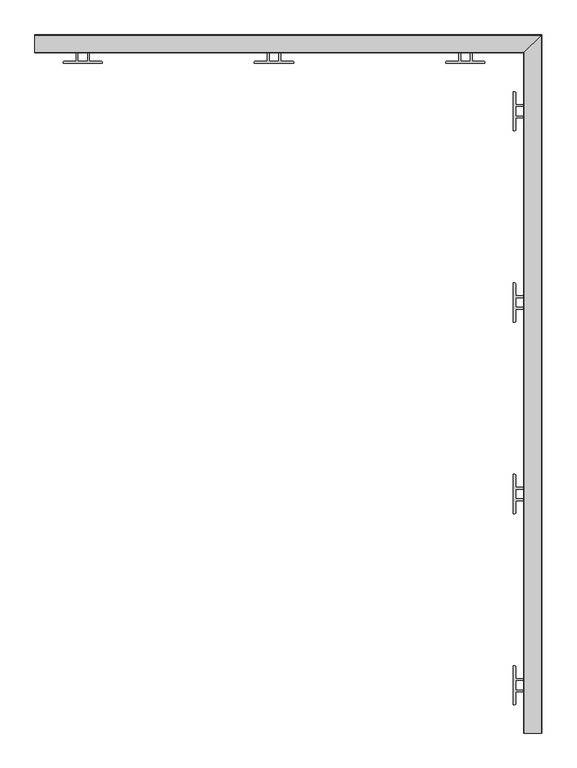
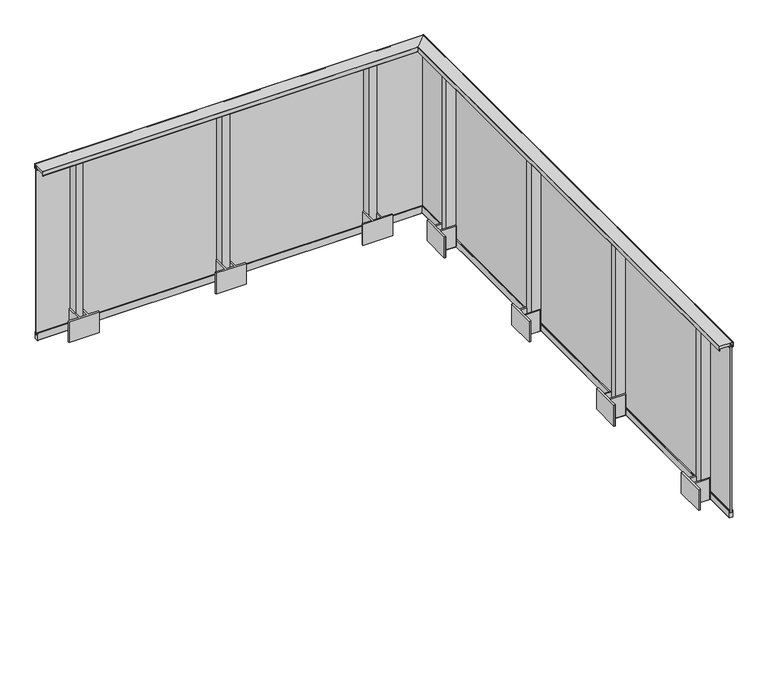
"""IFC4 building model written with IfcOpenShell, lengths in millimetres: railing geometry."""

from ifc_helpers import new_model, si_unit, frame, origin, place, context, project, spatial, polyline, circle_curve, ellipse_curve, outline, extrude, faceted_brep, source, transform, mapped, element, save
from ifc_brep_helpers import plane_surface, cylinder_surface, revolved_surface, advanced_brep


def railing_2dabb25d(model_context):
    return source(origin(), model_context, "Body", "SolidModel", [
        advanced_brep(
        [(19446.4819967, 370.4991817, 1100.0), (19445.9819967, 370.4991817, 1099.5), (19445.9819967, 370.4991817, 1068.5), (19446.4819967, 370.4991817, 1068.0), (19447.9819967, 370.4991817, 1068.0), (19447.9819967, 370.4991817, 1081.0), (19513.9819967, 370.4991817, 1081.0), (19513.9819967, 370.4991817, 1068.0), (19516.7819967, 370.4991817, 1068.0), (19516.7819967, 370.4991817, 1069.2), (19515.9819967, 370.4991817, 1069.2), (19515.9819967, 370.4991817, 1097.5), (19516.4819967, 370.4991817, 1098.0), (19535.4819967, 370.4991817, 1098.0), (19535.9819967, 370.4991817, 1097.5), (19535.9819967, 370.4991817, 1069.2), (19535.1819967, 370.4991817, 1069.2), (19535.1819967, 370.4991817, 1068.0), (19539.4819967, 370.4991817, 1068.0), (19539.9819967, 370.4991817, 1068.5), (19539.9819967, 370.4991817, 1099.5), (19539.4819967, 370.4991817, 1100.0), (19446.4819967, 3925.9991817, 1100.0), (19445.9819967, 3925.4991817, 1099.5), (19445.9819967, 3925.4991817, 1068.5), (19446.4819967, 3925.9991817, 1068.0), (19447.9819967, 3927.4991817, 1068.0), (19447.9819967, 3927.4991817, 1081.0), (19513.9819967, 3993.4991817, 1081.0), (19513.9819967, 3993.4991817, 1068.0), (19516.7819967, 3996.2991817, 1068.0), (19516.7819967, 3996.2991817, 1069.2), (19515.9819967, 3995.4991817, 1069.2), (19515.9819967, 3995.4991817, 1097.5), (19516.4819967, 3995.9991817, 1098.0), (19535.4819967, 4014.9991817, 1098.0), (19535.9819967, 4015.4991817, 1097.5), (19535.9819967, 4015.4991817, 1069.2), (19535.1819967, 4014.6991817, 1069.2), (19535.1819967, 4014.6991817, 1068.0), (19539.4819967, 4018.9991817, 1068.0), (19539.9819967, 4019.4991817, 1068.5), (19539.9819967, 4019.4991817, 1099.5), (19539.4819967, 4018.9991817, 1100.0), (16890.9819967, 3925.9991817, 1100.0), (16890.9819967, 4018.9991817, 1100.0), (16890.9819967, 4019.4991817, 1099.5), (16890.9819967, 4019.4991817, 1068.5), (16890.9819967, 4018.9991817, 1068.0), (16890.9819967, 4014.6991817, 1068.0), (16890.9819967, 4014.6991817, 1069.2), (16890.9819967, 4015.4991817, 1069.2), (16890.9819967, 4015.4991817, 1097.5), (16890.9819967, 4014.9991817, 1098.0), (16890.9819967, 3995.9991817, 1098.0), (16890.9819967, 3995.4991817, 1097.5), (16890.9819967, 3995.4991817, 1069.2), (16890.9819967, 3996.2991817, 1069.2), (16890.9819967, 3996.2991817, 1068.0), (16890.9819967, 3993.4991817, 1068.0), (16890.9819967, 3993.4991817, 1081.0), (16890.9819967, 3927.4991817, 1081.0), (16890.9819967, 3927.4991817, 1068.0), (16890.9819967, 3925.9991817, 1068.0), (16890.9819967, 3925.4991817, 1068.5), (16890.9819967, 3925.4991817, 1099.5)],
        [
            (0, 1, circle_curve(frame((19446.4819967, 370.4991817, 1099.5), z_axis=(0.0, -1.0, 0.0), x_axis=(1.0, 0.0, 0.0)), 0.5)),
            (1, 2),
            (2, 3, circle_curve(frame((19446.4819967, 370.4991817, 1068.5), z_axis=(0.0, -1.0, 0.0), x_axis=(1.0, 0.0, 0.0)), 0.5)),
            (3, 4),
            (4, 5),
            (5, 6),
            (6, 7),
            (7, 8),
            (8, 9),
            (9, 10),
            (10, 11),
            (11, 12, circle_curve(frame((19516.4819967, 370.4991817, 1097.5), z_axis=(0.0, 1.0, 0.0), x_axis=(1.0, 0.0, 0.0)), 0.5)),
            (12, 13),
            (13, 14, circle_curve(frame((19535.4819967, 370.4991817, 1097.5), z_axis=(0.0, 1.0, 0.0), x_axis=(1.0, 0.0, 0.0)), 0.5)),
            (14, 15),
            (15, 16),
            (16, 17),
            (17, 18),
            (18, 19, circle_curve(frame((19539.4819967, 370.4991817, 1068.5), z_axis=(0.0, -1.0, 0.0), x_axis=(1.0, 0.0, 0.0)), 0.5)),
            (19, 20),
            (20, 21, circle_curve(frame((19539.4819967, 370.4991817, 1099.5), z_axis=(0.0, -1.0, 0.0), x_axis=(1.0, 0.0, 0.0)), 0.5)),
            (21, 0),
            (0, 22),
            (22, 23, ellipse_curve(frame((19446.4819967, 3925.9991817, 1099.5), z_axis=(0.7071067811865467, -0.7071067811865482, 0.0), x_axis=(-0.7071067811865482, -0.7071067811865469, 0.0)), 0.7071068, 0.5)),
            (23, 1),
            (23, 24),
            (24, 2),
            (24, 25, ellipse_curve(frame((19446.4819967, 3925.9991817, 1068.5), z_axis=(0.7071067811865467, -0.7071067811865482, 0.0), x_axis=(-0.7071067811865482, -0.7071067811865469, 0.0)), 0.7071068, 0.5)),
            (25, 3),
            (25, 26),
            (26, 4),
            (26, 27),
            (27, 5),
            (27, 28),
            (28, 6),
            (28, 29),
            (29, 7),
            (29, 30),
            (30, 8),
            (30, 31),
            (31, 9),
            (31, 32),
            (32, 10),
            (32, 33),
            (33, 11),
            (33, 34, ellipse_curve(frame((19516.4819967, 3995.9991817, 1097.5), z_axis=(-0.7071067811865467, 0.7071067811865482, 0.0), x_axis=(0.7071067811865482, 0.7071067811865469, 0.0)), 0.7071068, 0.5)),
            (34, 12),
            (34, 35),
            (35, 13),
            (35, 36, ellipse_curve(frame((19535.4819967, 4014.9991817, 1097.5), z_axis=(-0.7071067811865467, 0.7071067811865482, 0.0), x_axis=(0.7071067811865482, 0.7071067811865469, 0.0)), 0.7071068, 0.5)),
            (36, 14),
            (36, 37),
            (37, 15),
            (37, 38),
            (38, 16),
            (38, 39),
            (39, 17),
            (39, 40),
            (40, 18),
            (40, 41, ellipse_curve(frame((19539.4819967, 4018.9991817, 1068.5), z_axis=(0.7071067811865467, -0.7071067811865482, 0.0), x_axis=(-0.7071067811865482, -0.7071067811865469, 0.0)), 0.7071068, 0.5)),
            (41, 19),
            (41, 42),
            (42, 20),
            (42, 43, ellipse_curve(frame((19539.4819967, 4018.9991817, 1099.5), z_axis=(0.7071067811865467, -0.7071067811865482, 0.0), x_axis=(-0.7071067811865482, -0.7071067811865469, 0.0)), 0.7071068, 0.5)),
            (43, 21),
            (43, 22),
            (44, 45),
            (45, 46, circle_curve(frame((16890.9819967, 4018.9991817, 1099.5), z_axis=(-1.0, 0.0, 0.0), x_axis=(0.0, 1.0, 0.0)), 0.5)),
            (46, 47),
            (47, 48, circle_curve(frame((16890.9819967, 4018.9991817, 1068.5), z_axis=(-1.0, 0.0, 0.0), x_axis=(0.0, 1.0, 0.0)), 0.5)),
            (48, 49),
            (49, 50),
            (50, 51),
            (51, 52),
            (52, 53, circle_curve(frame((16890.9819967, 4014.9991817, 1097.5), z_axis=(1.0, 0.0, 0.0), x_axis=(0.0, 1.0, 0.0)), 0.5)),
            (53, 54),
            (54, 55, circle_curve(frame((16890.9819967, 3995.9991817, 1097.5), z_axis=(1.0, 0.0, 0.0), x_axis=(0.0, 1.0, 0.0)), 0.5)),
            (55, 56),
            (56, 57),
            (57, 58),
            (58, 59),
            (59, 60),
            (60, 61),
            (61, 62),
            (62, 63),
            (63, 64, circle_curve(frame((16890.9819967, 3925.9991817, 1068.5), z_axis=(-1.0, 0.0, 0.0), x_axis=(0.0, 1.0, 0.0)), 0.5)),
            (64, 65),
            (65, 44, circle_curve(frame((16890.9819967, 3925.9991817, 1099.5), z_axis=(-1.0, 0.0, 0.0), x_axis=(0.0, 1.0, 0.0)), 0.5)),
            (22, 44),
            (65, 23),
            (64, 24),
            (63, 25),
            (62, 26),
            (61, 27),
            (60, 28),
            (59, 29),
            (58, 30),
            (57, 31),
            (56, 32),
            (55, 33),
            (54, 34),
            (53, 35),
            (52, 36),
            (51, 37),
            (50, 38),
            (49, 39),
            (48, 40),
            (47, 41),
            (46, 42),
            (45, 43),
        ],
        [
            plane_surface(frame((19480.9819967, 370.4991817, 1100.0), z_axis=(0.0, -1.0, 0.0), x_axis=(0.0, 0.0, 1.0))),
            cylinder_surface(frame((19446.4819967, 370.4991817, 1099.5), z_axis=(0.0, -1.0, 0.0), x_axis=(1.0, 0.0, 0.0)), 0.5),
            plane_surface(frame((19445.9819967, 370.4991817, 1099.5), z_axis=(-1.0, 0.0, 0.0), x_axis=(0.0, 1.0, 0.0))),
            cylinder_surface(frame((19446.4819967, 370.4991817, 1068.5), z_axis=(0.0, -1.0, 0.0), x_axis=(1.0, 0.0, 0.0)), 0.5),
            plane_surface(frame((19446.4819967, 370.4991817, 1068.0), z_axis=(0.0, 0.0, -1.0), x_axis=(0.0, 1.0, 0.0))),
            plane_surface(frame((19447.9819967, 370.4991817, 1068.0), z_axis=(1.0, 0.0, 0.0), x_axis=(0.0, 1.0, 0.0))),
            plane_surface(frame((19447.9819967, 370.4991817, 1081.0), z_axis=(0.0, 0.0, -1.0), x_axis=(0.0, 1.0, 0.0))),
            plane_surface(frame((19513.9819967, 370.4991817, 1081.0), z_axis=(-1.0, 0.0, 0.0), x_axis=(0.0, 1.0, 0.0))),
            plane_surface(frame((19513.9819967, 370.4991817, 1068.0), z_axis=(0.0, 0.0, -1.0), x_axis=(0.0, 1.0, 0.0))),
            plane_surface(frame((19516.7819967, 370.4991817, 1068.0), z_axis=(1.0, 0.0, 0.0), x_axis=(0.0, 1.0, 0.0))),
            plane_surface(frame((19516.7819967, 370.4991817, 1069.2), z_axis=(0.0, 0.0, 1.0), x_axis=(0.0, 1.0, 0.0))),
            plane_surface(frame((19515.9819967, 370.4991817, 1069.2), z_axis=(1.0, 0.0, 0.0), x_axis=(0.0, 1.0, 0.0))),
            revolved_surface(polyline([(19516.9819967, 3996.499181713303, 1097.5), (19516.9819967, 370.4991817, 1097.5)]), (19516.4819967, 370.4991817, 1097.5), (0.0, 1.0, 0.0)),
            plane_surface(frame((19516.4819967, 370.4991817, 1098.0), z_axis=(0.0, 0.0, -1.0), x_axis=(0.0, 1.0, 0.0))),
            revolved_surface(polyline([(19535.9819967, 4015.499181713303, 1097.5), (19535.9819967, 370.4991817, 1097.5)]), (19535.4819967, 370.4991817, 1097.5), (0.0, 1.0, 0.0)),
            plane_surface(frame((19535.9819967, 370.4991817, 1097.5), z_axis=(-1.0, 0.0, 0.0), x_axis=(0.0, 1.0, 0.0))),
            plane_surface(frame((19535.9819967, 370.4991817, 1069.2), z_axis=(0.0, 0.0, 1.0), x_axis=(0.0, 1.0, 0.0))),
            plane_surface(frame((19535.1819967, 370.4991817, 1069.2), z_axis=(-1.0, 0.0, 0.0), x_axis=(0.0, 1.0, 0.0))),
            plane_surface(frame((19535.1819967, 370.4991817, 1068.0), z_axis=(0.0, 0.0, -1.0), x_axis=(0.0, 1.0, 0.0))),
            cylinder_surface(frame((19539.4819967, 370.4991817, 1068.5), z_axis=(0.0, -1.0, 0.0), x_axis=(1.0, 0.0, 0.0)), 0.5),
            plane_surface(frame((19539.9819967, 370.4991817, 1068.5), z_axis=(1.0, 0.0, 0.0), x_axis=(0.0, 1.0, 0.0))),
            cylinder_surface(frame((19539.4819967, 370.4991817, 1099.5), z_axis=(0.0, -1.0, 0.0), x_axis=(1.0, 0.0, 0.0)), 0.5),
            plane_surface(frame((19539.4819967, 370.4991817, 1100.0), z_axis=(0.0, 0.0, 1.0), x_axis=(0.0, 1.0, 0.0))),
            plane_surface(frame((16890.9819967, 3960.4991817, 1100.0), z_axis=(-1.0, 0.0, 0.0), x_axis=(0.0, -1.0, 0.0))),
            cylinder_surface(frame((19480.9819967, 3925.9991817, 1099.5), z_axis=(1.0, 0.0, 0.0), x_axis=(0.0, 1.0, 0.0)), 0.5),
            plane_surface(frame((19445.9819967, 3925.4991817, 1099.5), z_axis=(0.0, -1.0, 0.0), x_axis=(-1.0, 0.0, 0.0))),
            cylinder_surface(frame((19480.9819967, 3925.9991817, 1068.5), z_axis=(1.0, 0.0, 0.0), x_axis=(0.0, 1.0, 0.0)), 0.5),
            plane_surface(frame((19446.4819967, 3925.9991817, 1068.0), z_axis=(0.0, 0.0, -1.0), x_axis=(-1.0, 0.0, 0.0))),
            plane_surface(frame((19447.9819967, 3927.4991817, 1068.0), z_axis=(0.0, 1.0, 0.0), x_axis=(-1.0, 0.0, 0.0))),
            plane_surface(frame((19447.9819967, 3927.4991817, 1081.0), z_axis=(0.0, 0.0, -1.0), x_axis=(-1.0, 0.0, 0.0))),
            plane_surface(frame((19513.9819967, 3993.4991817, 1081.0), z_axis=(0.0, -1.0, 0.0), x_axis=(-1.0, 0.0, 0.0))),
            plane_surface(frame((19513.9819967, 3993.4991817, 1068.0), z_axis=(0.0, 0.0, -1.0), x_axis=(-1.0, 0.0, 0.0))),
            plane_surface(frame((19516.7819967, 3996.2991817, 1068.0), z_axis=(0.0, 1.0, 0.0), x_axis=(-1.0, 0.0, 0.0))),
            plane_surface(frame((19516.7819967, 3996.2991817, 1069.2), z_axis=(0.0, 0.0, 1.0), x_axis=(-1.0, 0.0, 0.0))),
            plane_surface(frame((19515.9819967, 3995.4991817, 1069.2), z_axis=(0.0, 1.0, 0.0), x_axis=(-1.0, 0.0, 0.0))),
            revolved_surface(polyline([(16890.9819967, 3996.4991817, 1097.5), (19516.981996713304, 3996.4991817, 1097.5)]), (19480.9819967, 3995.9991817, 1097.5), (-1.0, 0.0, 0.0)),
            plane_surface(frame((19516.4819967, 3995.9991817, 1098.0), z_axis=(0.0, 0.0, -1.0), x_axis=(-1.0, 0.0, 0.0))),
            revolved_surface(polyline([(16890.9819967, 4015.4991817, 1097.5), (19535.981996713304, 4015.4991817, 1097.5)]), (19480.9819967, 4014.9991817, 1097.5), (-1.0, 0.0, 0.0)),
            plane_surface(frame((19535.9819967, 4015.4991817, 1097.5), z_axis=(0.0, -1.0, 0.0), x_axis=(-1.0, 0.0, 0.0))),
            plane_surface(frame((19535.9819967, 4015.4991817, 1069.2), z_axis=(0.0, 0.0, 1.0), x_axis=(-1.0, 0.0, 0.0))),
            plane_surface(frame((19535.1819967, 4014.6991817, 1069.2), z_axis=(0.0, -1.0, 0.0), x_axis=(-1.0, 0.0, 0.0))),
            plane_surface(frame((19535.1819967, 4014.6991817, 1068.0), z_axis=(0.0, 0.0, -1.0), x_axis=(-1.0, 0.0, 0.0))),
            cylinder_surface(frame((19480.9819967, 4018.9991817, 1068.5), z_axis=(1.0, 0.0, 0.0), x_axis=(0.0, 1.0, 0.0)), 0.5),
            plane_surface(frame((19539.9819967, 4019.4991817, 1068.5), z_axis=(0.0, 1.0, 0.0), x_axis=(-1.0, 0.0, 0.0))),
            cylinder_surface(frame((19480.9819967, 4018.9991817, 1099.5), z_axis=(1.0, 0.0, 0.0), x_axis=(0.0, 1.0, 0.0)), 0.5),
            plane_surface(frame((19539.4819967, 4018.9991817, 1100.0), z_axis=(0.0, 0.0, 1.0), x_axis=(-1.0, 0.0, 0.0))),
        ],
        [
            (0, [[1, 2, 3, 4, 5, 6, 7, 8, 9, 10, 11, 12, 13, 14, 15, 16, 17, 18, 19, 20, 21, 22]]),
            (1, [[-1, 23, 24, 25]]),
            (2, [[-2, -25, 26, 27]]),
            (3, [[-3, -27, 28, 29]]),
            (4, [[-4, -29, 30, 31]]),
            (5, [[-5, -31, 32, 33]]),
            (6, [[-6, -33, 34, 35]]),
            (7, [[-7, -35, 36, 37]]),
            (8, [[-8, -37, 38, 39]]),
            (9, [[-9, -39, 40, 41]]),
            (10, [[-10, -41, 42, 43]]),
            (11, [[-11, -43, 44, 45]]),
            (12, [[-12, -45, 46, 47]]),
            (13, [[-13, -47, 48, 49]]),
            (14, [[-14, -49, 50, 51]]),
            (15, [[-15, -51, 52, 53]]),
            (16, [[-16, -53, 54, 55]]),
            (17, [[-17, -55, 56, 57]]),
            (18, [[-18, -57, 58, 59]]),
            (19, [[-19, -59, 60, 61]]),
            (20, [[-20, -61, 62, 63]]),
            (21, [[-21, -63, 64, 65]]),
            (22, [[-22, -65, 66, -23]]),
            (23, [[67, 68, 69, 70, 71, 72, 73, 74, 75, 76, 77, 78, 79, 80, 81, 82, 83, 84, 85, 86, 87, 88]]),
            (24, [[-24, 89, -88, 90]]),
            (25, [[-26, -90, -87, 91]]),
            (26, [[-28, -91, -86, 92]]),
            (27, [[-30, -92, -85, 93]]),
            (28, [[-32, -93, -84, 94]]),
            (29, [[-34, -94, -83, 95]]),
            (30, [[-36, -95, -82, 96]]),
            (31, [[-38, -96, -81, 97]]),
            (32, [[-40, -97, -80, 98]]),
            (33, [[-42, -98, -79, 99]]),
            (34, [[-44, -99, -78, 100]]),
            (35, [[-46, -100, -77, 101]]),
            (36, [[-48, -101, -76, 102]]),
            (37, [[-50, -102, -75, 103]]),
            (38, [[-52, -103, -74, 104]]),
            (39, [[-54, -104, -73, 105]]),
            (40, [[-56, -105, -72, 106]]),
            (41, [[-58, -106, -71, 107]]),
            (42, [[-60, -107, -70, 108]]),
            (43, [[-62, -108, -69, 109]]),
            (44, [[-64, -109, -68, 110]]),
            (45, [[-66, -110, -67, -89]]),
        ],
    ),
        faceted_brep([(19529.9819967, 370.4991817, 1075.0), (19521.9819967, 370.4991817, 1075.0), (19521.9819967, 370.4991817, -125.0), (19529.9819967, 370.4991817, -125.0), (19529.9819967, 4009.4991817, 1075.0), (19521.9819967, 4001.4991817, 1075.0), (19521.9819967, 4001.4991817, -125.0), (19529.9819967, 4009.4991817, -125.0), (16890.9819967, 4009.4991817, 1075.0), (16890.9819967, 4009.4991817, -125.0), (16890.9819967, 4001.4991817, -125.0), (16890.9819967, 4001.4991817, 1075.0)], [[[0, 1, 2, 3]], [[1, 0, 4, 5]], [[2, 1, 5, 6]], [[3, 2, 6, 7]], [[0, 3, 7, 4]], [[8, 9, 10, 11]], [[5, 4, 8, 11]], [[6, 5, 11, 10]], [[7, 6, 10, 9]], [[4, 7, 9, 8]]]),
        faceted_brep([(19516.6692541, 370.4991817, 1067.7160621), (19515.6441664, 370.4991817, 1067.7160621), (19515.6441664, 370.4991817, 1066.1627783), (19521.9819967, 370.4991817, 1064.3454347), (19521.9819967, 370.4991817, 1074.5), (19516.6692541, 370.4991817, 1076.6464874), (19516.6692541, 3996.186439, 1067.7160621), (19515.6441664, 3995.1613513, 1067.7160621), (19515.6441664, 3995.1613513, 1066.1627783), (19521.9819967, 4001.4991817, 1064.3454347), (19521.9819967, 4001.4991817, 1074.5), (19516.6692541, 3996.186439, 1076.6464874), (16890.9819967, 3996.186439, 1067.7160621), (16890.9819967, 3996.186439, 1076.6464874), (16890.9819967, 4001.4991817, 1074.5), (16890.9819967, 4001.4991817, 1064.3454347), (16890.9819967, 3995.1613513, 1066.1627783), (16890.9819967, 3995.1613513, 1067.7160621)], [[[0, 1, 2, 3, 4, 5]], [[1, 0, 6, 7]], [[2, 1, 7, 8]], [[3, 2, 8, 9]], [[4, 3, 9, 10]], [[5, 4, 10, 11]], [[0, 5, 11, 6]], [[12, 13, 14, 15, 16, 17]], [[7, 6, 12, 17]], [[8, 7, 17, 16]], [[9, 8, 16, 15]], [[10, 9, 15, 14]], [[11, 10, 14, 13]], [[6, 11, 13, 12]]]),
        faceted_brep([(19535.2947394, 370.4991817, 1067.7160621), (19535.2947394, 370.4991817, 1076.6464874), (19529.9819967, 370.4991817, 1074.5), (19529.9819967, 370.4991817, 1064.3454347), (19536.3198271, 370.4991817, 1066.1627783), (19536.3198271, 370.4991817, 1067.7160621), (19535.2947394, 4014.8119243, 1067.7160621), (19535.2947394, 4014.8119243, 1076.6464874), (19529.9819967, 4009.4991817, 1074.5), (19529.9819967, 4009.4991817, 1064.3454347), (19536.3198271, 4015.837012, 1066.1627783), (19536.3198271, 4015.837012, 1067.7160621), (16890.9819967, 4014.8119243, 1067.7160621), (16890.9819967, 4015.837012, 1067.7160621), (16890.9819967, 4015.837012, 1066.1627783), (16890.9819967, 4009.4991817, 1064.3454347), (16890.9819967, 4009.4991817, 1074.5), (16890.9819967, 4014.8119243, 1076.6464874)], [[[0, 1, 2, 3, 4, 5]], [[1, 0, 6, 7]], [[2, 1, 7, 8]], [[3, 2, 8, 9]], [[4, 3, 9, 10]], [[5, 4, 10, 11]], [[0, 5, 11, 6]], [[12, 13, 14, 15, 16, 17]], [[7, 6, 12, 17]], [[8, 7, 17, 16]], [[9, 8, 16, 15]], [[10, 9, 15, 14]], [[11, 10, 14, 13]], [[6, 11, 13, 12]]]),
        advanced_brep(
        [(19537.4819967, 370.4991817, -160.0), (19537.9819967, 370.4991817, -159.5), (19537.9819967, 370.4991817, -110.5), (19537.4819967, 370.4991817, -110.0), (19514.4819967, 370.4991817, -110.0), (19513.9819967, 370.4991817, -110.5), (19513.9819967, 370.4991817, -159.5), (19514.4819967, 370.4991817, -160.0), (19537.4819967, 4016.9991817, -160.0), (19537.9819967, 4017.4991817, -159.5), (19537.9819967, 4017.4991817, -110.5), (19537.4819967, 4016.9991817, -110.0), (19514.4819967, 3993.9991817, -110.0), (19513.9819967, 3993.4991817, -110.5), (19513.9819967, 3993.4991817, -159.5), (19514.4819967, 3993.9991817, -160.0), (16890.9819967, 4016.9991817, -160.0), (16890.9819967, 3993.9991817, -160.0), (16890.9819967, 3993.4991817, -159.5), (16890.9819967, 3993.4991817, -110.5), (16890.9819967, 3993.9991817, -110.0), (16890.9819967, 4016.9991817, -110.0), (16890.9819967, 4017.4991817, -110.5), (16890.9819967, 4017.4991817, -159.5)],
        [
            (0, 1, circle_curve(frame((19537.4819967, 370.4991817, -159.5), z_axis=(0.0, -1.0, 0.0), x_axis=(1.0, 0.0, 0.0)), 0.5)),
            (1, 2),
            (2, 3, circle_curve(frame((19537.4819967, 370.4991817, -110.5), z_axis=(0.0, -1.0, 0.0), x_axis=(1.0, 0.0, 0.0)), 0.5)),
            (3, 4),
            (4, 5, circle_curve(frame((19514.4819967, 370.4991817, -110.5), z_axis=(0.0, -1.0, 0.0), x_axis=(1.0, 0.0, 0.0)), 0.5)),
            (5, 6),
            (6, 7, circle_curve(frame((19514.4819967, 370.4991817, -159.5), z_axis=(0.0, -1.0, 0.0), x_axis=(1.0, 0.0, 0.0)), 0.5)),
            (7, 0),
            (0, 8),
            (8, 9, ellipse_curve(frame((19537.4819967, 4016.9991817, -159.5), z_axis=(0.7071067811865467, -0.7071067811865482, 0.0), x_axis=(-0.7071067811865482, -0.7071067811865469, 0.0)), 0.7071068, 0.5)),
            (9, 1),
            (9, 10),
            (10, 2),
            (10, 11, ellipse_curve(frame((19537.4819967, 4016.9991817, -110.5), z_axis=(0.7071067811865467, -0.7071067811865482, 0.0), x_axis=(-0.7071067811865482, -0.7071067811865469, 0.0)), 0.7071068, 0.5)),
            (11, 3),
            (11, 12),
            (12, 4),
            (12, 13, ellipse_curve(frame((19514.4819967, 3993.9991817, -110.5), z_axis=(0.7071067811865467, -0.7071067811865482, 0.0), x_axis=(-0.7071067811865482, -0.7071067811865469, 0.0)), 0.7071068, 0.5)),
            (13, 5),
            (13, 14),
            (14, 6),
            (14, 15, ellipse_curve(frame((19514.4819967, 3993.9991817, -159.5), z_axis=(0.7071067811865467, -0.7071067811865482, 0.0), x_axis=(-0.7071067811865482, -0.7071067811865469, 0.0)), 0.7071068, 0.5)),
            (15, 7),
            (15, 8),
            (16, 17),
            (17, 18, circle_curve(frame((16890.9819967, 3993.9991817, -159.5), z_axis=(-1.0, 0.0, 0.0), x_axis=(0.0, 1.0, 0.0)), 0.5)),
            (18, 19),
            (19, 20, circle_curve(frame((16890.9819967, 3993.9991817, -110.5), z_axis=(-1.0, 0.0, 0.0), x_axis=(0.0, 1.0, 0.0)), 0.5)),
            (20, 21),
            (21, 22, circle_curve(frame((16890.9819967, 4016.9991817, -110.5), z_axis=(-1.0, 0.0, 0.0), x_axis=(0.0, 1.0, 0.0)), 0.5)),
            (22, 23),
            (23, 16, circle_curve(frame((16890.9819967, 4016.9991817, -159.5), z_axis=(-1.0, 0.0, 0.0), x_axis=(0.0, 1.0, 0.0)), 0.5)),
            (8, 16),
            (23, 9),
            (22, 10),
            (21, 11),
            (20, 12),
            (19, 13),
            (18, 14),
            (17, 15),
        ],
        [
            plane_surface(frame((19525.9819967, 370.4991817, -160.0), z_axis=(0.0, -1.0, 0.0), x_axis=(0.0, 0.0, 1.0))),
            cylinder_surface(frame((19537.4819967, 370.4991817, -159.5), z_axis=(0.0, -1.0, 0.0), x_axis=(1.0, 0.0, 0.0)), 0.5),
            plane_surface(frame((19537.9819967, 370.4991817, -159.5), z_axis=(1.0, 0.0, 0.0), x_axis=(0.0, 1.0, 0.0))),
            cylinder_surface(frame((19537.4819967, 370.4991817, -110.5), z_axis=(0.0, -1.0, 0.0), x_axis=(1.0, 0.0, 0.0)), 0.5),
            plane_surface(frame((19537.4819967, 370.4991817, -110.0), z_axis=(0.0, 0.0, 1.0), x_axis=(0.0, 1.0, 0.0))),
            cylinder_surface(frame((19514.4819967, 370.4991817, -110.5), z_axis=(0.0, -1.0, 0.0), x_axis=(1.0, 0.0, 0.0)), 0.5),
            plane_surface(frame((19513.9819967, 370.4991817, -110.5), z_axis=(-1.0, 0.0, 0.0), x_axis=(0.0, 1.0, 0.0))),
            cylinder_surface(frame((19514.4819967, 370.4991817, -159.5), z_axis=(0.0, -1.0, 0.0), x_axis=(1.0, 0.0, 0.0)), 0.5),
            plane_surface(frame((19514.4819967, 370.4991817, -160.0), z_axis=(0.0, 0.0, -1.0), x_axis=(0.0, 1.0, 0.0))),
            plane_surface(frame((16890.9819967, 4005.4991817, -160.0), z_axis=(-1.0, 0.0, 0.0), x_axis=(0.0, -1.0, 0.0))),
            cylinder_surface(frame((19525.9819967, 4016.9991817, -159.5), z_axis=(1.0, 0.0, 0.0), x_axis=(0.0, 1.0, 0.0)), 0.5),
            plane_surface(frame((19537.9819967, 4017.4991817, -159.5), z_axis=(0.0, 1.0, 0.0), x_axis=(-1.0, 0.0, 0.0))),
            cylinder_surface(frame((19525.9819967, 4016.9991817, -110.5), z_axis=(1.0, 0.0, 0.0), x_axis=(0.0, 1.0, 0.0)), 0.5),
            plane_surface(frame((19537.4819967, 4016.9991817, -110.0), z_axis=(0.0, 0.0, 1.0), x_axis=(-1.0, 0.0, 0.0))),
            cylinder_surface(frame((19525.9819967, 3993.9991817, -110.5), z_axis=(1.0, 0.0, 0.0), x_axis=(0.0, 1.0, 0.0)), 0.5),
            plane_surface(frame((19513.9819967, 3993.4991817, -110.5), z_axis=(0.0, -1.0, 0.0), x_axis=(-1.0, 0.0, 0.0))),
            cylinder_surface(frame((19525.9819967, 3993.9991817, -159.5), z_axis=(1.0, 0.0, 0.0), x_axis=(0.0, 1.0, 0.0)), 0.5),
            plane_surface(frame((19514.4819967, 3993.9991817, -160.0), z_axis=(0.0, 0.0, -1.0), x_axis=(-1.0, 0.0, 0.0))),
        ],
        [
            (0, [[1, 2, 3, 4, 5, 6, 7, 8]]),
            (1, [[-1, 9, 10, 11]]),
            (2, [[-2, -11, 12, 13]]),
            (3, [[-3, -13, 14, 15]]),
            (4, [[-4, -15, 16, 17]]),
            (5, [[-5, -17, 18, 19]]),
            (6, [[-6, -19, 20, 21]]),
            (7, [[-7, -21, 22, 23]]),
            (8, [[-8, -23, 24, -9]]),
            (9, [[25, 26, 27, 28, 29, 30, 31, 32]]),
            (10, [[-10, 33, -32, 34]]),
            (11, [[-12, -34, -31, 35]]),
            (12, [[-14, -35, -30, 36]]),
            (13, [[-16, -36, -29, 37]]),
            (14, [[-18, -37, -28, 38]]),
            (15, [[-20, -38, -27, 39]]),
            (16, [[-22, -39, -26, 40]]),
            (17, [[-24, -40, -25, -33]]),
        ],
    ),
        extrude(outline(polyline([(17115.9819967, 3928.4991817), (17115.9819967, 3993.4991817), (17165.9819967, 3993.4991817), (17165.9819967, 3928.4991817), (17115.9819967, 3928.4991817)])), frame((0.0, 0.0, -162.0), z_axis=(0.0, 0.0, 1.0), x_axis=(1.0, 0.0, 0.0)), (0.0, 0.0, 1.0), 1253.0),
        extrude(outline(polyline([(17038.4819967, 3870.4991817), (17038.4819967, 3879.6707545), (17041.3104239, 3882.4991817), (17105.9612097, 3882.4991817), (17105.9612097, 3985.4362256), (17109.4872118, 3990.4718784), (17115.9612097, 3990.4718784), (17115.9612097, 3882.4991817), (17166.0027837, 3882.4991817), (17166.0027837, 3990.4718784), (17172.4767816, 3990.4718784), (17176.0027837, 3985.4362256), (17176.0027837, 3882.4991817), (17240.6535696, 3882.4991817), (17243.4819967, 3879.6707545), (17243.4819967, 3870.4991817), (17038.4819967, 3870.4991817)])), frame((0.0, 0.0, -152.0), z_axis=(0.0, 0.0, 1.0), x_axis=(1.0, 0.0, 0.0)), (0.0, 0.0, 1.0), 150.0),
        extrude(outline(polyline([(18115.9819967, 3928.4991817), (18115.9819967, 3993.4991817), (18165.9819967, 3993.4991817), (18165.9819967, 3928.4991817), (18115.9819967, 3928.4991817)])), frame((0.0, 0.0, -162.0), z_axis=(0.0, 0.0, 1.0), x_axis=(1.0, 0.0, 0.0)), (0.0, 0.0, 1.0), 1253.0),
        extrude(outline(polyline([(18038.4819967, 3870.4991817), (18038.4819967, 3879.6707545), (18041.3104239, 3882.4991817), (18105.9612097, 3882.4991817), (18105.9612097, 3985.4362256), (18109.4872118, 3990.4718784), (18115.9612097, 3990.4718784), (18115.9612097, 3882.4991817), (18166.0027837, 3882.4991817), (18166.0027837, 3990.4718784), (18172.4767816, 3990.4718784), (18176.0027837, 3985.4362256), (18176.0027837, 3882.4991817), (18240.6535696, 3882.4991817), (18243.4819967, 3879.6707545), (18243.4819967, 3870.4991817), (18038.4819967, 3870.4991817)])), frame((0.0, 0.0, -152.0), z_axis=(0.0, 0.0, 1.0), x_axis=(1.0, 0.0, 0.0)), (0.0, 0.0, 1.0), 150.0),
        extrude(outline(polyline([(19115.9819967, 3928.4991817), (19115.9819967, 3993.4991817), (19165.9819967, 3993.4991817), (19165.9819967, 3928.4991817), (19115.9819967, 3928.4991817)])), frame((0.0, 0.0, -162.0), z_axis=(0.0, 0.0, 1.0), x_axis=(1.0, 0.0, 0.0)), (0.0, 0.0, 1.0), 1253.0),
        extrude(outline(polyline([(19038.4819967, 3870.4991817), (19038.4819967, 3879.6707545), (19041.3104239, 3882.4991817), (19105.9612097, 3882.4991817), (19105.9612097, 3985.4362256), (19109.4872118, 3990.4718784), (19115.9612097, 3990.4718784), (19115.9612097, 3882.4991817), (19166.0027837, 3882.4991817), (19166.0027837, 3990.4718784), (19172.4767816, 3990.4718784), (19176.0027837, 3985.4362256), (19176.0027837, 3882.4991817), (19240.6535696, 3882.4991817), (19243.4819967, 3879.6707545), (19243.4819967, 3870.4991817), (19038.4819967, 3870.4991817)])), frame((0.0, 0.0, -152.0), z_axis=(0.0, 0.0, 1.0), x_axis=(1.0, 0.0, 0.0)), (0.0, 0.0, 1.0), 150.0),
        extrude(outline(polyline([(19448.9819967, 3645.4991817), (19513.9819967, 3645.4991817), (19513.9819967, 3595.4991817), (19448.9819967, 3595.4991817), (19448.9819967, 3645.4991817)])), frame((0.0, 0.0, -162.0), z_axis=(0.0, 0.0, 1.0), x_axis=(1.0, 0.0, 0.0)), (0.0, 0.0, 1.0), 1253.0),
        extrude(outline(polyline([(19390.9819967, 3722.9991817), (19400.1535696, 3722.9991817), (19402.9819967, 3720.1707545), (19402.9819967, 3655.5199687), (19505.9190406, 3655.5199687), (19510.9546935, 3651.9939666), (19510.9546935, 3645.5199687), (19402.9819967, 3645.5199687), (19402.9819967, 3595.4783947), (19510.9546935, 3595.4783947), (19510.9546935, 3589.0043968), (19505.9190406, 3585.4783947), (19402.9819967, 3585.4783947), (19402.9819967, 3520.8276088), (19400.1535696, 3517.9991817), (19390.9819967, 3517.9991817), (19390.9819967, 3722.9991817)])), frame((0.0, 0.0, -152.0), z_axis=(0.0, 0.0, 1.0), x_axis=(1.0, 0.0, 0.0)), (0.0, 0.0, 1.0), 150.0),
        extrude(outline(polyline([(19448.9819967, 2645.4991817), (19513.9819967, 2645.4991817), (19513.9819967, 2595.4991817), (19448.9819967, 2595.4991817), (19448.9819967, 2645.4991817)])), frame((0.0, 0.0, -162.0), z_axis=(0.0, 0.0, 1.0), x_axis=(1.0, 0.0, 0.0)), (0.0, 0.0, 1.0), 1253.0),
        extrude(outline(polyline([(19390.9819967, 2722.9991817), (19400.1535696, 2722.9991817), (19402.9819967, 2720.1707545), (19402.9819967, 2655.5199687), (19505.9190406, 2655.5199687), (19510.9546935, 2651.9939666), (19510.9546935, 2645.5199687), (19402.9819967, 2645.5199687), (19402.9819967, 2595.4783947), (19510.9546935, 2595.4783947), (19510.9546935, 2589.0043968), (19505.9190406, 2585.4783947), (19402.9819967, 2585.4783947), (19402.9819967, 2520.8276088), (19400.1535696, 2517.9991817), (19390.9819967, 2517.9991817), (19390.9819967, 2722.9991817)])), frame((0.0, 0.0, -152.0), z_axis=(0.0, 0.0, 1.0), x_axis=(1.0, 0.0, 0.0)), (0.0, 0.0, 1.0), 150.0),
        extrude(outline(polyline([(19448.9819967, 1645.4991817), (19513.9819967, 1645.4991817), (19513.9819967, 1595.4991817), (19448.9819967, 1595.4991817), (19448.9819967, 1645.4991817)])), frame((0.0, 0.0, -162.0), z_axis=(0.0, 0.0, 1.0), x_axis=(1.0, 0.0, 0.0)), (0.0, 0.0, 1.0), 1253.0),
        extrude(outline(polyline([(19390.9819967, 1722.9991817), (19400.1535696, 1722.9991817), (19402.9819967, 1720.1707545), (19402.9819967, 1655.5199687), (19505.9190406, 1655.5199687), (19510.9546935, 1651.9939666), (19510.9546935, 1645.5199687), (19402.9819967, 1645.5199687), (19402.9819967, 1595.4783947), (19510.9546935, 1595.4783947), (19510.9546935, 1589.0043968), (19505.9190406, 1585.4783947), (19402.9819967, 1585.4783947), (19402.9819967, 1520.8276088), (19400.1535696, 1517.9991817), (19390.9819967, 1517.9991817), (19390.9819967, 1722.9991817)])), frame((0.0, 0.0, -152.0), z_axis=(0.0, 0.0, 1.0), x_axis=(1.0, 0.0, 0.0)), (0.0, 0.0, 1.0), 150.0),
        extrude(outline(polyline([(19448.9819967, 645.4991817), (19513.9819967, 645.4991817), (19513.9819967, 595.4991817), (19448.9819967, 595.4991817), (19448.9819967, 645.4991817)])), frame((0.0, 0.0, -162.0), z_axis=(0.0, 0.0, 1.0), x_axis=(1.0, 0.0, 0.0)), (0.0, 0.0, 1.0), 1253.0),
        extrude(outline(polyline([(19390.9819967, 722.9991817), (19400.1535696, 722.9991817), (19402.9819967, 720.1707545), (19402.9819967, 655.5199687), (19505.9190406, 655.5199687), (19510.9546935, 651.9939666), (19510.9546935, 645.5199687), (19402.9819967, 645.5199687), (19402.9819967, 595.4783947), (19510.9546935, 595.4783947), (19510.9546935, 589.0043968), (19505.9190406, 585.4783947), (19402.9819967, 585.4783947), (19402.9819967, 520.8276088), (19400.1535696, 517.9991817), (19390.9819967, 517.9991817), (19390.9819967, 722.9991817)])), frame((0.0, 0.0, -152.0), z_axis=(0.0, 0.0, 1.0), x_axis=(1.0, 0.0, 0.0)), (0.0, 0.0, 1.0), 150.0),
        extrude(outline(polyline([(17115.9819967, 3928.4991817), (17115.9819967, 3993.4991817), (17165.9819967, 3993.4991817), (17165.9819967, 3928.4991817), (17115.9819967, 3928.4991817)])), frame((0.0, 0.0, -162.0), z_axis=(0.0, 0.0, 1.0), x_axis=(1.0, 0.0, 0.0)), (0.0, 0.0, 1.0), 1253.0),
        extrude(outline(polyline([(17038.4819967, 3870.4991817), (17038.4819967, 3879.6707545), (17041.3104239, 3882.4991817), (17105.9612097, 3882.4991817), (17105.9612097, 3985.4362256), (17109.4872118, 3990.4718784), (17115.9612097, 3990.4718784), (17115.9612097, 3882.4991817), (17166.0027837, 3882.4991817), (17166.0027837, 3990.4718784), (17172.4767816, 3990.4718784), (17176.0027837, 3985.4362256), (17176.0027837, 3882.4991817), (17240.6535696, 3882.4991817), (17243.4819967, 3879.6707545), (17243.4819967, 3870.4991817), (17038.4819967, 3870.4991817)])), frame((0.0, 0.0, -152.0), z_axis=(0.0, 0.0, 1.0), x_axis=(1.0, 0.0, 0.0)), (0.0, 0.0, 1.0), 150.0),
        extrude(outline(polyline([(19448.9819967, 645.4991817), (19513.9819967, 645.4991817), (19513.9819967, 595.4991817), (19448.9819967, 595.4991817), (19448.9819967, 645.4991817)])), frame((0.0, 0.0, -162.0), z_axis=(0.0, 0.0, 1.0), x_axis=(1.0, 0.0, 0.0)), (0.0, 0.0, 1.0), 1253.0),
        extrude(outline(polyline([(19390.9819967, 722.9991817), (19400.1535696, 722.9991817), (19402.9819967, 720.1707545), (19402.9819967, 655.5199687), (19505.9190406, 655.5199687), (19510.9546935, 651.9939666), (19510.9546935, 645.5199687), (19402.9819967, 645.5199687), (19402.9819967, 595.4783947), (19510.9546935, 595.4783947), (19510.9546935, 589.0043968), (19505.9190406, 585.4783947), (19402.9819967, 585.4783947), (19402.9819967, 520.8276088), (19400.1535696, 517.9991817), (19390.9819967, 517.9991817), (19390.9819967, 722.9991817)])), frame((0.0, 0.0, -152.0), z_axis=(0.0, 0.0, 1.0), x_axis=(1.0, 0.0, 0.0)), (0.0, 0.0, 1.0), 150.0),
    ])


if __name__ == "__main__":
    model = new_model("IFC4")
    model_context = context("Model", 3, world=origin())
    ifc_project = project(units=[si_unit("LENGTHUNIT", "METRE", prefix="MILLI")], contexts=[model_context])
    site = spatial("IfcSite", under=ifc_project)
    building = spatial("IfcBuilding", under=site)
    placement = place(None, origin())
    railing_shape = railing_2dabb25d(model_context)
    element("IfcRailing", 1, at=placement, inside=building, context=model_context, shape_type="MappedRepresentation", body=[
        mapped(railing_shape, transform((0.0, 0.0, 0.0), x_axis=(1.0, 0.0, 0.0), y_axis=(0.0, 1.0, 0.0), z_axis=(0.0, 0.0, 1.0))),
    ])
    save(model, "model.ifc")
